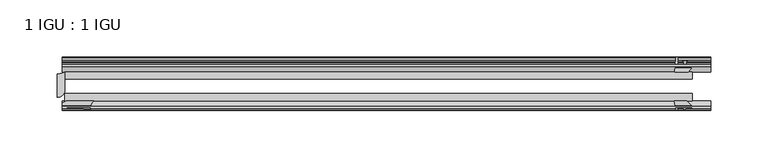
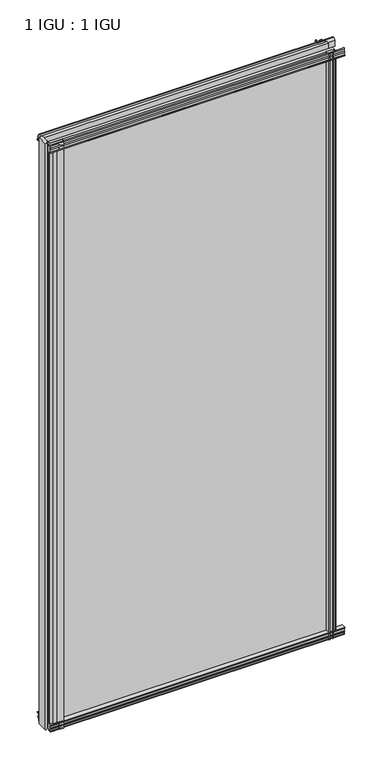
"""IFC4 building model written with IfcOpenShell, lengths in millimetres: plate geometry, 1 IGU : 1 IGU."""

from ifc_helpers import new_model, si_unit, point, frame, frame_2d, origin, place, context, project, spatial, polyline, circle_curve, trimmed, segment, composite_curve, outline, extrude, source, transform, mapped, element, save


def plate_1_igu_1_igu_ab5982b7(model_context):
    return source(origin(), model_context, "Body", "SweptSolid", [
        extrude(outline(composite_curve([segment(polyline([(-57.0900403, 1.731044), (-50.00625, 3.0983599), (-50.00625, -7.92383), (-54.1882244, -12.1058044)]), True, "CONTINUOUS"), segment(trimmed(circle_curve(frame_2d((-55.08625, -11.2077788)), 1.27), [point((-54.1882244, -12.1058044))], [point((-56.35625, -11.2077788))], False, "CARTESIAN"), True, "CONTINUOUS"), segment(polyline([(-56.35625, -11.2077788), (-56.35625, -8.0327788), (-57.835546, -5.4488186), (-56.35625, -5.1879788), (-56.35625, 0.2222212), (-57.65913, 0.0383748)]), True, "CONTINUOUS"), segment(trimmed(circle_curve(frame_2d((-56.9150839, 0.7302212)), 1.016), [point((-57.65913, 0.0383748))], [point((-57.0900403, 1.731044))], False, "CARTESIAN"), True, "CONTINUOUS")], self_intersect=False)), frame((-280.1239, 0.0, 0.0), z_axis=(1.0, 0.0, 0.0), x_axis=(0.0, 1.0, 0.0)), (0.0, 0.0, 1.0), 564.2864),
        extrude(outline(composite_curve([segment(polyline([(-24.60625, 2.5763839), (-12.8423053, 1.6478499)]), True, "CONTINUOUS"), segment(trimmed(circle_curve(frame_2d((-12.92225, 0.635)), 1.016), [point((-12.8423053, 1.6478499))], [point((-12.1291353, 0.0))], False, "CARTESIAN"), True, "CONTINUOUS"), segment(polyline([(-12.1291353, 0.0), (-18.25625, 0.0), (-18.25625, -4.953), (-15.9568457, -5.5691235), (-16.3325195, -4.1670901), (-15.4738114, -3.937), (-14.82725, -6.35), (-15.4738114, -8.763), (-16.3325195, -8.5329099), (-15.9568457, -7.1308765), (-18.25625, -7.747), (-18.25625, -12.7), (-20.28825, -12.7), (-24.60625, -9.1036931), (-24.60625, 2.5763839)]), True, "CONTINUOUS")], self_intersect=False)), frame((-280.1239, 0.0, 0.0), z_axis=(1.0, 0.0, 0.0), x_axis=(0.0, 1.0, 0.0)), (0.0, 0.0, 1.0), 564.2864),
        extrude(outline(composite_curve([segment(polyline([(-20.28825, 1174.75), (-18.25625, 1174.75), (-18.25625, 1169.797), (-15.9568457, 1169.1808765), (-16.3325195, 1170.5829099), (-15.4738114, 1170.813), (-14.82725, 1168.4), (-15.4738114, 1165.987), (-16.3325195, 1166.2170901), (-15.9568457, 1167.6191235), (-18.25625, 1167.003), (-18.25625, 1162.05), (-12.1291353, 1162.05)]), True, "CONTINUOUS"), segment(trimmed(circle_curve(frame_2d((-12.92225, 1161.415)), 1.016), [point((-12.1291353, 1162.05))], [point((-12.8423053, 1160.4021501))], False, "CARTESIAN"), True, "CONTINUOUS"), segment(polyline([(-12.8423053, 1160.4021501), (-24.60625, 1159.4736161), (-24.60625, 1171.1536931), (-20.28825, 1174.75)]), True, "CONTINUOUS")], self_intersect=False)), frame((-280.1239, 0.0, 0.0), z_axis=(1.0, 0.0, 0.0), x_axis=(0.0, 1.0, 0.0)), (0.0, 0.0, 1.0), 564.2864),
        extrude(outline(composite_curve([segment(trimmed(circle_curve(frame_2d((-56.9150839, 1161.3197788)), 1.016), [point((-57.0900403, 1160.318956))], [point((-57.65913, 1162.0116252))], False, "CARTESIAN"), True, "CONTINUOUS"), segment(polyline([(-57.65913, 1162.0116252), (-56.35625, 1161.8277788), (-56.35625, 1167.2379788), (-57.835546, 1167.4988186), (-56.35625, 1170.0827788), (-56.35625, 1173.2577788)]), True, "CONTINUOUS"), segment(trimmed(circle_curve(frame_2d((-55.08625, 1173.2577788)), 1.27), [point((-56.35625, 1173.2577788))], [point((-54.1882244, 1174.1558044))], False, "CARTESIAN"), True, "CONTINUOUS"), segment(polyline([(-54.1882244, 1174.1558044), (-50.00625, 1169.97383), (-50.00625, 1158.9516401), (-57.0900403, 1160.318956)]), True, "CONTINUOUS")], self_intersect=False)), frame((-280.1239, 0.0, 0.0), z_axis=(1.0, 0.0, 0.0), x_axis=(0.0, 1.0, 0.0)), (0.0, 0.0, 1.0), 564.2864),
        extrude(outline(composite_curve([segment(polyline([(253.0111161, -24.60625), (253.9396501, -12.8423053)]), True, "CONTINUOUS"), segment(trimmed(circle_curve(frame_2d((254.9525, -12.92225)), 1.016), [point((253.9396501, -12.8423053))], [point((255.5875, -12.1291353))], False, "CARTESIAN"), True, "CONTINUOUS"), segment(polyline([(255.5875, -12.1291353), (255.5875, -18.25625), (260.5405, -18.25625), (261.1566235, -15.9568457), (259.7545901, -16.3325195), (259.5245, -15.4738114), (261.9375, -14.82725), (264.3505, -15.4738114), (264.1204099, -16.3325195), (262.7183765, -15.9568457), (263.3345, -18.25625), (268.2875, -18.25625), (268.2875, -20.28825), (264.6911931, -24.60625), (253.0111161, -24.60625)]), True, "CONTINUOUS")], self_intersect=False)), frame((0.0, 0.0, -12.7), z_axis=(0.0, 0.0, 1.0), x_axis=(1.0, 0.0, 0.0)), (0.0, 0.0, 1.0), 1187.45),
        extrude(outline(composite_curve([segment(polyline([(260.7754788, -56.35625), (255.3652788, -56.35625), (255.5491252, -57.65913)]), True, "CONTINUOUS"), segment(trimmed(circle_curve(frame_2d((254.8572788, -56.9150839)), 1.016), [point((255.5491252, -57.65913))], [point((253.856456, -57.0900403))], False, "CARTESIAN"), True, "CONTINUOUS"), segment(polyline([(253.856456, -57.0900403), (252.4891401, -50.00625), (263.51133, -50.00625), (267.6933044, -54.1882244)]), True, "CONTINUOUS"), segment(trimmed(circle_curve(frame_2d((266.7952788, -55.08625)), 1.27), [point((267.6933044, -54.1882244))], [point((266.7952788, -56.35625))], False, "CARTESIAN"), True, "CONTINUOUS"), segment(polyline([(266.7952788, -56.35625), (263.6202788, -56.35625), (261.0363186, -57.835546), (260.7754788, -56.35625)]), True, "CONTINUOUS")], self_intersect=False)), frame((0.0, 0.0, -12.7), z_axis=(0.0, 0.0, 1.0), x_axis=(1.0, 0.0, 0.0)), (0.0, 0.0, 1.0), 1187.45),
        extrude(outline(composite_curve([segment(trimmed(circle_curve(frame_2d((-245.6399732, -57.0773768)), 9.9591112), [point((-252.6530368, -50.00625))], [point((-255.5875, -57.5575914))], True, "CARTESIAN"), True, "CONTINUOUS"), segment(polyline([(-255.5875, -57.5575914), (-267.0175, -56.35625), (-274.9011192, -56.35625), (-280.1239, -54.14645), (-280.1239, -51.60645), (-276.3418863, -50.00625), (-252.6530368, -50.00625)]), True, "CONTINUOUS")], self_intersect=False)), frame((0.0, 0.0, -12.7), z_axis=(0.0, 0.0, 1.0), x_axis=(1.0, 0.0, 0.0)), (0.0, 0.0, 1.0), 1187.45),
        extrude(outline(composite_curve([segment(trimmed(circle_curve(frame_2d((-284.1625, -14.2606186)), 12.1389698), [point((-284.1625, -26.3995885))], [point((-277.8125, -24.60625))], True, "CARTESIAN"), True, "CONTINUOUS"), segment(polyline([(-277.8125, -24.60625), (-277.8125, -40.48125)]), True, "CONTINUOUS"), segment(trimmed(circle_curve(frame_2d((-284.1625, -40.48125)), 6.35), [point((-277.8125, -40.48125))], [point((-284.1625, -46.83125))], False, "CARTESIAN"), True, "CONTINUOUS"), segment(polyline([(-284.1625, -46.83125), (-284.1625, -26.3995885)]), True, "CONTINUOUS")], self_intersect=False)), frame((0.0, 0.0, -12.7), z_axis=(0.0, 0.0, 1.0), x_axis=(1.0, 0.0, 0.0)), (0.0, 0.0, 1.0), 1187.45),
        extrude(outline(polyline([(-277.8125, -24.60625), (268.2875, -24.60625), (268.2875, -30.95625), (-277.8125, -30.95625), (-277.8125, -24.60625)])), frame((0.0, 0.0, -12.7), z_axis=(0.0, 0.0, 1.0), x_axis=(1.0, 0.0, 0.0)), (0.0, 0.0, 1.0), 1187.45),
        extrude(outline(polyline([(268.2875, -43.65625), (268.2875, -50.00625), (-277.8125, -50.00625), (-277.8125, -43.65625), (268.2875, -43.65625)])), frame((0.0, 0.0, -12.7), z_axis=(0.0, 0.0, 1.0), x_axis=(1.0, 0.0, 0.0)), (0.0, 0.0, 1.0), 1187.45),
    ])


if __name__ == "__main__":
    model = new_model("IFC4")
    model_context = context("Model", 3, world=origin())
    ifc_project = project(units=[si_unit("LENGTHUNIT", "METRE", prefix="MILLI")], contexts=[model_context])
    site = spatial("IfcSite", under=ifc_project)
    building = spatial("IfcBuilding", under=site)
    placement = place(None, origin())
    plate_1_igu_1_igu_shape = plate_1_igu_1_igu_ab5982b7(model_context)
    element("IfcPlate", 1, ObjectType="1 IGU : 1 IGU", at=placement, inside=building, context=model_context, shape_type="MappedRepresentation", body=[
        mapped(plate_1_igu_1_igu_shape, transform((0.0, 0.0, 0.0), x_axis=(1.0, 0.0, 0.0), y_axis=(0.0, 1.0, 0.0), z_axis=(0.0, 0.0, 1.0))),
    ])
    save(model, "model.ifc")
